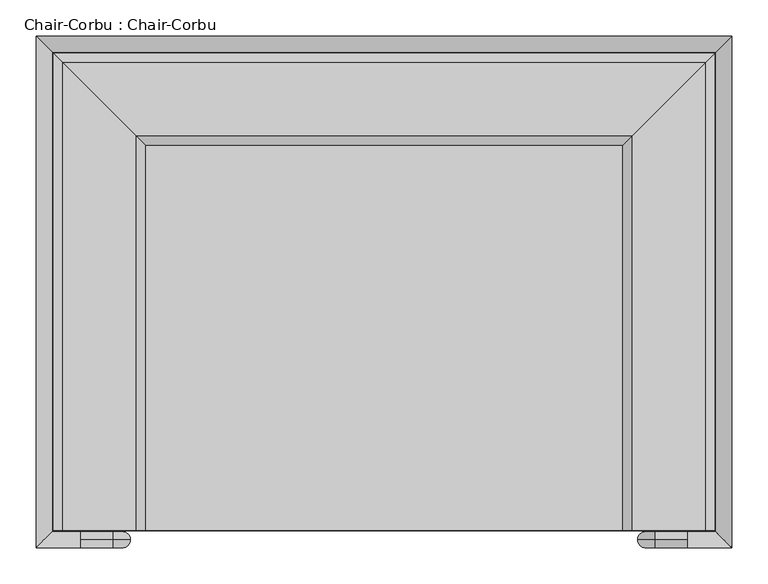
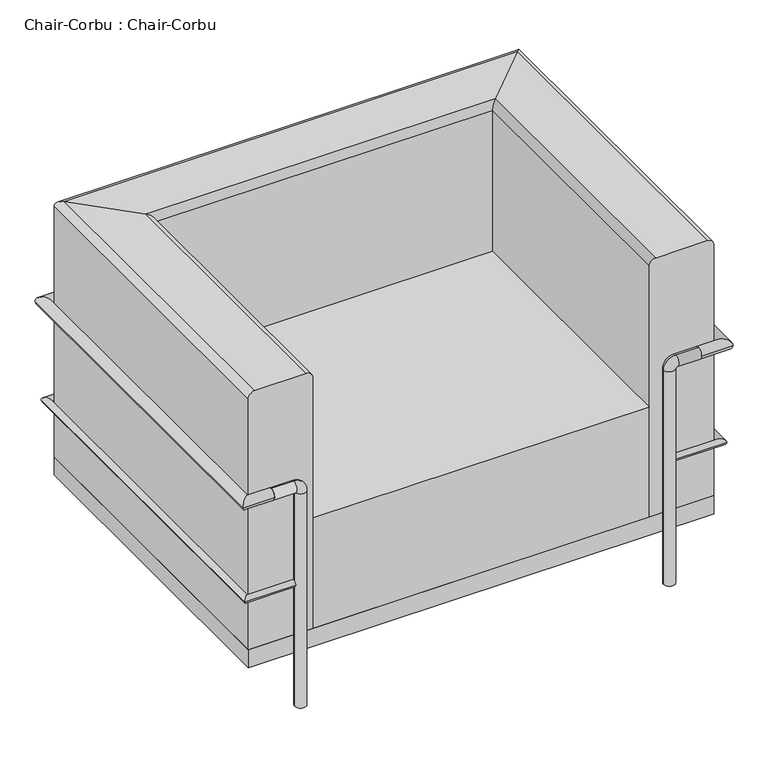
"""IFC4 building model written with IfcOpenShell, lengths in millimetres: furniture geometry, Chair-Corbu : Chair-Corbu."""

from ifc_helpers import new_model, si_unit, point, frame, frame_2d, origin, origin_with_axes, place, context, project, spatial, polyline, circle_curve, ellipse_curve, trimmed, segment, composite_curve, outline, extrude, source, transform, mapped, element, save
from ifc_brep_helpers import plane_surface, cylinder_surface, revolved_surface, advanced_brep


def chair_corbu_chair_corbu_2764bdef(model_context):
    return source(origin(), model_context, "Body", "SolidModel", [
        advanced_brep(
        [(116.1737705, 136.5770492, 139.7), (243.1737705, 136.5770492, 139.7), (243.1737705, 136.5770492, 660.4), (230.4737705, 136.5770492, 673.1), (128.8737705, 136.5770492, 673.1), (116.1737705, 136.5770492, 660.4), (116.1737705, 796.9770492, 139.7), (243.1737705, 669.9770492, 139.7), (243.1737705, 669.9770492, 660.4), (230.4737705, 682.6770492, 673.1), (128.8737705, 784.2770492, 673.1), (116.1737705, 796.9770492, 660.4), (1030.5737705, 796.9770492, 139.7), (903.5737705, 669.9770492, 139.7), (903.5737705, 669.9770492, 660.4), (916.2737705, 682.6770492, 673.1), (1017.8737705, 784.2770492, 673.1), (1030.5737705, 796.9770492, 660.4), (1030.5737705, 136.5770492, 139.7), (1030.5737705, 136.5770492, 660.4), (1017.8737705, 136.5770492, 673.1), (916.2737705, 136.5770492, 673.1), (903.5737705, 136.5770492, 660.4), (903.5737705, 136.5770492, 139.7)],
        [
            (0, 1),
            (1, 2),
            (2, 3, circle_curve(frame((230.4737705, 136.5770492, 660.4), z_axis=(0.0, -1.0, 0.0), x_axis=(-1.0, 0.0, 0.0)), 12.7)),
            (3, 4),
            (4, 5, circle_curve(frame((128.8737705, 136.5770492, 660.4), z_axis=(0.0, -1.0, 0.0), x_axis=(-1.0, 0.0, 0.0)), 12.7)),
            (5, 0),
            (0, 6),
            (6, 7),
            (7, 1),
            (7, 8),
            (8, 2),
            (8, 9, ellipse_curve(frame((230.4737705, 682.6770492, 660.4), z_axis=(-0.7071067811865475, -0.7071067811865475, 0.0), x_axis=(0.7071067811865474, -0.7071067811865476, 0.0)), 17.9605122, 12.7)),
            (9, 3),
            (9, 10),
            (10, 4),
            (10, 11, ellipse_curve(frame((128.8737705, 784.2770492, 660.4), z_axis=(-0.7071067811865475, -0.7071067811865475, 0.0), x_axis=(0.7071067811865474, -0.7071067811865476, 0.0)), 17.9605122, 12.7)),
            (11, 5),
            (11, 6),
            (6, 12),
            (12, 13),
            (13, 7),
            (13, 14),
            (14, 8),
            (14, 15, ellipse_curve(frame((916.2737705, 682.6770492, 660.4), z_axis=(-0.7071067811865475, 0.7071067811865475, 0.0), x_axis=(-0.7071067811865476, -0.7071067811865474, 0.0)), 17.9605122, 12.7)),
            (15, 9),
            (15, 16),
            (16, 10),
            (16, 17, ellipse_curve(frame((1017.8737705, 784.2770492, 660.4), z_axis=(-0.7071067811865475, 0.7071067811865475, 0.0), x_axis=(-0.7071067811865476, -0.7071067811865474, 0.0)), 17.9605122, 12.7)),
            (17, 11),
            (17, 12),
            (18, 19),
            (19, 20, circle_curve(frame((1017.8737705, 136.5770492, 660.4), z_axis=(0.0, -1.0, 0.0), x_axis=(1.0, 0.0, 0.0)), 12.7)),
            (20, 21),
            (21, 22, circle_curve(frame((916.2737705, 136.5770492, 660.4), z_axis=(0.0, -1.0, 0.0), x_axis=(1.0, 0.0, 0.0)), 12.7)),
            (22, 23),
            (23, 18),
            (12, 18),
            (23, 13),
            (22, 14),
            (21, 15),
            (20, 16),
            (19, 17),
        ],
        [
            plane_surface(frame((-566.5619763, 136.5770492, 0.0), z_axis=(0.0, -1.0, 0.0), x_axis=(0.0, 0.0, 1.0))),
            plane_surface(frame((116.1737705, 136.5770492, 139.7), z_axis=(0.0, 0.0, -1.0), x_axis=(0.0, 1.0, 0.0))),
            plane_surface(frame((243.1737705, 136.5770492, 139.7), z_axis=(1.0, 0.0, 0.0), x_axis=(0.0, 1.0, 0.0))),
            cylinder_surface(frame((230.4737705, 136.5770492, 660.4), z_axis=(0.0, -1.0, 0.0), x_axis=(-1.0, 0.0, 0.0)), 12.7),
            plane_surface(frame((230.4737705, 136.5770492, 673.1), z_axis=(0.0, 0.0, 1.0), x_axis=(0.0, 1.0, 0.0))),
            cylinder_surface(frame((128.8737705, 136.5770492, 660.4), z_axis=(0.0, -1.0, 0.0), x_axis=(-1.0, 0.0, 0.0)), 12.7),
            plane_surface(frame((116.1737705, 136.5770492, 660.4), z_axis=(-1.0, 0.0, 0.0), x_axis=(0.0, 1.0, 0.0))),
            plane_surface(frame((116.1737705, 796.9770492, 139.7), z_axis=(0.0, 0.0, -1.0), x_axis=(1.0, 0.0, 0.0))),
            plane_surface(frame((243.1737705, 669.9770492, 139.7), z_axis=(0.0, -1.0, 0.0), x_axis=(1.0, 0.0, 0.0))),
            cylinder_surface(frame((116.1737705, 682.6770492, 660.4), z_axis=(-1.0, 0.0, 0.0), x_axis=(0.0, 1.0, 0.0)), 12.7),
            plane_surface(frame((230.4737705, 682.6770492, 673.1), z_axis=(0.0, 0.0, 1.0), x_axis=(1.0, 0.0, 0.0))),
            cylinder_surface(frame((116.1737705, 784.2770492, 660.4), z_axis=(-1.0, 0.0, 0.0), x_axis=(0.0, 1.0, 0.0)), 12.7),
            plane_surface(frame((116.1737705, 796.9770492, 660.4), z_axis=(0.0, 1.0, 0.0), x_axis=(1.0, 0.0, 0.0))),
            plane_surface(frame((347.8380237, 136.5770492, 0.0), z_axis=(0.0, -1.0, 0.0), x_axis=(0.0, 0.0, -1.0))),
            plane_surface(frame((1030.5737705, 796.9770492, 139.7), z_axis=(0.0, 0.0, -1.0), x_axis=(0.0, -1.0, 0.0))),
            plane_surface(frame((903.5737705, 669.9770492, 139.7), z_axis=(-1.0, 0.0, 0.0), x_axis=(0.0, -1.0, 0.0))),
            cylinder_surface(frame((916.2737705, 796.9770492, 660.4), z_axis=(0.0, 1.0, 0.0), x_axis=(1.0, 0.0, 0.0)), 12.7),
            plane_surface(frame((916.2737705, 682.6770492, 673.1), z_axis=(0.0, 0.0, 1.0), x_axis=(0.0, -1.0, 0.0))),
            cylinder_surface(frame((1017.8737705, 796.9770492, 660.4), z_axis=(0.0, 1.0, 0.0), x_axis=(1.0, 0.0, 0.0)), 12.7),
            plane_surface(frame((1030.5737705, 796.9770492, 660.4), z_axis=(1.0, 0.0, 0.0), x_axis=(0.0, -1.0, 0.0))),
        ],
        [
            (0, [[1, 2, 3, 4, 5, 6]]),
            (1, [[-1, 7, 8, 9]]),
            (2, [[-2, -9, 10, 11]]),
            (3, [[-3, -11, 12, 13]]),
            (4, [[-4, -13, 14, 15]]),
            (5, [[-5, -15, 16, 17]]),
            (6, [[-6, -17, 18, -7]]),
            (7, [[-8, 19, 20, 21]]),
            (8, [[-10, -21, 22, 23]]),
            (9, [[-12, -23, 24, 25]]),
            (10, [[-14, -25, 26, 27]]),
            (11, [[-16, -27, 28, 29]]),
            (12, [[-18, -29, 30, -19]]),
            (13, [[31, 32, 33, 34, 35, 36]]),
            (14, [[-20, 37, -36, 38]]),
            (15, [[-22, -38, -35, 39]]),
            (16, [[-24, -39, -34, 40]]),
            (17, [[-26, -40, -33, 41]]),
            (18, [[-28, -41, -32, 42]]),
            (19, [[-30, -42, -31, -37]]),
        ],
    ),
        advanced_brep(
        [(946.4362705, 123.8770492, 0.0), (924.2112705, 123.8770492, 0.0), (946.4362705, 123.8770492, 444.5), (924.2112705, 123.8770492, 444.5), (948.0237705, 123.8770492, 468.3125), (948.0237705, 123.8770492, 446.0875), (992.4737705, 123.8770492, 446.0875), (992.4737705, 123.8770492, 468.3125)],
        [
            (0, 1, circle_curve(frame((935.3237705, 123.8770492, 0.0), z_axis=(0.0, 0.0, -1.0), x_axis=(-1.0, 0.0, 0.0)), 11.1125)),
            (1, 0, circle_curve(frame((935.3237705, 123.8770492, 0.0), z_axis=(0.0, 0.0, -1.0), x_axis=(-1.0, 0.0, 0.0)), 11.1125)),
            (0, 2),
            (2, 3, circle_curve(frame((935.3237705, 123.8770492, 444.5), z_axis=(0.0, 0.0, -1.0), x_axis=(-1.0, 0.0, 0.0)), 11.1125)),
            (3, 1),
            (3, 2, circle_curve(frame((935.3237705, 123.8770492, 444.5), z_axis=(0.0, 0.0, -1.0), x_axis=(-1.0, 0.0, 0.0)), 11.1125)),
            (4, 3, circle_curve(frame((948.0237705, 123.8770492, 444.5), z_axis=(0.0, -1.0, 0.0), x_axis=(-1.0, 0.0, 0.0)), 23.8125)),
            (2, 5, circle_curve(frame((948.0237705, 123.8770492, 444.5), z_axis=(0.0, 1.0, 0.0), x_axis=(-1.0, 0.0, 0.0)), 1.5875)),
            (5, 4, circle_curve(frame((948.0237705, 123.8770492, 457.2), z_axis=(-1.0, 0.0, 0.0), x_axis=(0.0, 0.0, 1.0)), 11.1125)),
            (4, 5, circle_curve(frame((948.0237705, 123.8770492, 457.2), z_axis=(-1.0, 0.0, 0.0), x_axis=(0.0, 0.0, 1.0)), 11.1125)),
            (6, 7, circle_curve(frame((992.4737705, 123.8770492, 457.2), z_axis=(1.0, 0.0, 0.0), x_axis=(0.0, 0.0, 1.0)), 11.1125)),
            (7, 6, circle_curve(frame((992.4737705, 123.8770492, 457.2), z_axis=(1.0, 0.0, 0.0), x_axis=(0.0, 0.0, 1.0)), 11.1125)),
            (5, 6),
            (7, 4),
        ],
        [
            plane_surface(frame((935.3237705, 112.7645492, 0.0), z_axis=(0.0, 0.0, -1.0), x_axis=(1.0, 0.0, 0.0))),
            cylinder_surface(frame((935.3237705, 123.8770492, 0.0), z_axis=(0.0, 0.0, -1.0), x_axis=(-1.0, 0.0, 0.0)), 11.1125),
            revolved_surface(trimmed(ellipse_curve(frame((935.3237705, 123.8770492, 444.5), z_axis=(0.0, 0.0, -1.0), x_axis=(-1.0, 0.0, 0.0)), 11.1125, 11.1125), [point((946.4362705, 123.8770492, 444.5))], [point((924.2112705, 123.8770492, 444.5))], True, "CARTESIAN"), (948.0237705, 123.8770492, 444.5), (0.0, 1.0, 0.0)),
            revolved_surface(trimmed(ellipse_curve(frame((935.3237705, 123.8770492, 444.5), z_axis=(0.0, 0.0, -1.0), x_axis=(-1.0, 0.0, 0.0)), 11.1125, 11.1125), [point((924.2112705, 123.8770492, 444.5))], [point((946.4362705, 123.8770492, 444.5))], True, "CARTESIAN"), (948.0237705, 123.8770492, 444.5), (0.0, 1.0, 0.0)),
            plane_surface(frame((992.4737705, 123.8770492, 446.0875), z_axis=(1.0, 0.0, 0.0), x_axis=(0.0, 1.0, 0.0))),
            cylinder_surface(frame((948.0237705, 123.8770492, 457.2), z_axis=(-1.0, 0.0, 0.0), x_axis=(0.0, 0.0, 1.0)), 11.1125),
        ],
        [
            (0, [[1, 2]]),
            (1, [[-1, 3, 4, 5]]),
            (1, [[-2, -5, 6, -3]]),
            (2, [[7, -4, 8, 9]]),
            (3, [[-8, -6, -7, 10]]),
            (4, [[11, 12]]),
            (5, [[-9, 13, -12, 14]]),
            (5, [[-10, -14, -11, -13]]),
        ],
    ),
        advanced_brep(
        [(222.5362705, 123.8770492, 0.0), (200.3112705, 123.8770492, 0.0), (222.5362705, 123.8770492, 444.5), (200.3112705, 123.8770492, 444.5), (198.7237705, 123.8770492, 446.0875), (198.7237705, 123.8770492, 468.3125), (154.2737705, 123.8770492, 468.3125), (154.2737705, 123.8770492, 446.0875)],
        [
            (0, 1, circle_curve(frame((211.4237705, 123.8770492, 0.0), z_axis=(0.0, 0.0, -1.0), x_axis=(-1.0, 0.0, 0.0)), 11.1125)),
            (1, 0, circle_curve(frame((211.4237705, 123.8770492, 0.0), z_axis=(0.0, 0.0, -1.0), x_axis=(-1.0, 0.0, 0.0)), 11.1125)),
            (0, 2),
            (2, 3, circle_curve(frame((211.4237705, 123.8770492, 444.5), z_axis=(0.0, 0.0, -1.0), x_axis=(-1.0, 0.0, 0.0)), 11.1125)),
            (3, 1),
            (3, 2, circle_curve(frame((211.4237705, 123.8770492, 444.5), z_axis=(0.0, 0.0, -1.0), x_axis=(-1.0, 0.0, 0.0)), 11.1125)),
            (4, 3, circle_curve(frame((198.7237705, 123.8770492, 444.5), z_axis=(0.0, 1.0, 0.0), x_axis=(1.0, 0.0, 0.0)), 1.5875)),
            (2, 5, circle_curve(frame((198.7237705, 123.8770492, 444.5), z_axis=(0.0, -1.0, 0.0), x_axis=(1.0, 0.0, 0.0)), 23.8125)),
            (5, 4, circle_curve(frame((198.7237705, 123.8770492, 457.2), z_axis=(1.0, 0.0, 0.0), x_axis=(0.0, 0.0, -1.0)), 11.1125)),
            (4, 5, circle_curve(frame((198.7237705, 123.8770492, 457.2), z_axis=(1.0, 0.0, 0.0), x_axis=(0.0, 0.0, -1.0)), 11.1125)),
            (6, 7, circle_curve(frame((154.2737705, 123.8770492, 457.2), z_axis=(-1.0, 0.0, 0.0), x_axis=(0.0, 0.0, -1.0)), 11.1125)),
            (7, 6, circle_curve(frame((154.2737705, 123.8770492, 457.2), z_axis=(-1.0, 0.0, 0.0), x_axis=(0.0, 0.0, -1.0)), 11.1125)),
            (5, 6),
            (7, 4),
        ],
        [
            plane_surface(frame((211.4237705, 112.7645492, 0.0), z_axis=(0.0, 0.0, -1.0), x_axis=(1.0, 0.0, 0.0))),
            cylinder_surface(frame((211.4237705, 123.8770492, 0.0), z_axis=(0.0, 0.0, -1.0), x_axis=(-1.0, 0.0, 0.0)), 11.1125),
            revolved_surface(trimmed(ellipse_curve(frame((211.4237705, 123.8770492, 444.5), z_axis=(0.0, 0.0, -1.0), x_axis=(-1.0, 0.0, 0.0)), 11.1125, 11.1125), [point((222.5362705, 123.8770492, 444.5))], [point((200.3112705, 123.8770492, 444.5))], True, "CARTESIAN"), (198.7237705, 123.8770492, 444.5), (0.0, -1.0, 0.0)),
            revolved_surface(trimmed(ellipse_curve(frame((211.4237705, 123.8770492, 444.5), z_axis=(0.0, 0.0, -1.0), x_axis=(-1.0, 0.0, 0.0)), 11.1125, 11.1125), [point((200.3112705, 123.8770492, 444.5))], [point((222.5362705, 123.8770492, 444.5))], True, "CARTESIAN"), (198.7237705, 123.8770492, 444.5), (0.0, -1.0, 0.0)),
            plane_surface(frame((154.2737705, 123.8770492, 446.0875), z_axis=(-1.0, 0.0, 0.0), x_axis=(0.0, -1.0, 0.0))),
            cylinder_surface(frame((198.7237705, 123.8770492, 457.2), z_axis=(1.0, 0.0, 0.0), x_axis=(0.0, 0.0, -1.0)), 11.1125),
        ],
        [
            (0, [[1, 2]]),
            (1, [[-1, 3, 4, 5]]),
            (1, [[-2, -5, 6, -3]]),
            (2, [[7, -4, 8, 9]]),
            (3, [[-8, -6, -7, 10]]),
            (4, [[11, 12]]),
            (5, [[-9, 13, -12, 14]]),
            (5, [[-10, -14, -11, -13]]),
        ],
    ),
        advanced_brep(
        [(201.8987705, 133.4020492, 254.0), (201.8987705, 120.7020492, 254.0), (112.9987705, 133.4020492, 254.0), (100.2987705, 120.7020492, 254.0), (112.9987705, 800.1520492, 254.0), (100.2987705, 812.8520492, 254.0), (1033.7487705, 800.1520492, 254.0), (1046.4487705, 812.8520492, 254.0), (1033.7487705, 133.4020492, 254.0), (1046.4487705, 120.7020492, 254.0), (944.8487705, 133.4020492, 254.0), (944.8487705, 120.7020492, 254.0)],
        [
            (0, 1, circle_curve(frame((201.8987705, 127.0520492, 254.0), z_axis=(1.0, 0.0, 0.0), x_axis=(0.0, -1.0, 0.0)), 6.35)),
            (1, 0, circle_curve(frame((201.8987705, 127.0520492, 254.0), z_axis=(1.0, 0.0, 0.0), x_axis=(0.0, -1.0, 0.0)), 6.35)),
            (0, 2),
            (2, 3, ellipse_curve(frame((106.6487705, 127.0520492, 254.0), z_axis=(0.7071067811865475, -0.7071067811865475, 0.0), x_axis=(0.7071067811865476, 0.7071067811865474, 0.0)), 8.9802561, 6.35)),
            (3, 1),
            (3, 2, ellipse_curve(frame((106.6487705, 127.0520492, 254.0), z_axis=(0.7071067811865475, -0.7071067811865475, 0.0), x_axis=(0.7071067811865476, 0.7071067811865474, 0.0)), 8.9802561, 6.35)),
            (2, 4),
            (4, 5, ellipse_curve(frame((106.6487705, 806.5020492, 254.0), z_axis=(-0.7071067811865475, -0.7071067811865475, 0.0), x_axis=(0.7071067811865474, -0.7071067811865476, 0.0)), 8.9802561, 6.35)),
            (5, 3),
            (5, 4, ellipse_curve(frame((106.6487705, 806.5020492, 254.0), z_axis=(-0.7071067811865475, -0.7071067811865475, 0.0), x_axis=(0.7071067811865474, -0.7071067811865476, 0.0)), 8.9802561, 6.35)),
            (4, 6),
            (6, 7, ellipse_curve(frame((1040.0987705, 806.5020492, 254.0), z_axis=(-0.7071067811865475, 0.7071067811865475, 0.0), x_axis=(-0.7071067811865476, -0.7071067811865474, 0.0)), 8.9802561, 6.35)),
            (7, 5),
            (7, 6, ellipse_curve(frame((1040.0987705, 806.5020492, 254.0), z_axis=(-0.7071067811865475, 0.7071067811865475, 0.0), x_axis=(-0.7071067811865476, -0.7071067811865474, 0.0)), 8.9802561, 6.35)),
            (6, 8),
            (8, 9, ellipse_curve(frame((1040.0987705, 127.0520492, 254.0), z_axis=(0.7071067811865475, 0.7071067811865475, 0.0), x_axis=(-0.7071067811865474, 0.7071067811865476, 0.0)), 8.9802561, 6.35)),
            (9, 7),
            (9, 8, ellipse_curve(frame((1040.0987705, 127.0520492, 254.0), z_axis=(0.7071067811865475, 0.7071067811865475, 0.0), x_axis=(-0.7071067811865474, 0.7071067811865476, 0.0)), 8.9802561, 6.35)),
            (10, 11, circle_curve(frame((944.8487705, 127.0520492, 254.0), z_axis=(-1.0, 0.0, 0.0), x_axis=(0.0, -1.0, 0.0)), 6.35)),
            (11, 10, circle_curve(frame((944.8487705, 127.0520492, 254.0), z_axis=(-1.0, 0.0, 0.0), x_axis=(0.0, -1.0, 0.0)), 6.35)),
            (8, 10),
            (11, 9),
        ],
        [
            plane_surface(frame((201.8987705, 127.0520492, -259.5186838), z_axis=(1.0, 0.0, 0.0), x_axis=(0.0, -1.0, 0.0))),
            cylinder_surface(frame((201.8987705, 127.0520492, 254.0), z_axis=(1.0, 0.0, 0.0), x_axis=(0.0, -1.0, 0.0)), 6.35),
            cylinder_surface(frame((106.6487705, 127.0520492, 254.0), z_axis=(0.0, -1.0, 0.0), x_axis=(-1.0, 0.0, 0.0)), 6.35),
            cylinder_surface(frame((106.6487705, 806.5020492, 254.0), z_axis=(-1.0, 0.0, 0.0), x_axis=(0.0, 1.0, 0.0)), 6.35),
            cylinder_surface(frame((1040.0987705, 806.5020492, 254.0), z_axis=(0.0, 1.0, 0.0), x_axis=(1.0, 0.0, 0.0)), 6.35),
            plane_surface(frame((944.8487705, 127.0520492, -259.5186838), z_axis=(-1.0, 0.0, 0.0), x_axis=(0.0, -1.0, 0.0))),
            cylinder_surface(frame((1040.0987705, 127.0520492, 254.0), z_axis=(1.0, 0.0, 0.0), x_axis=(0.0, -1.0, 0.0)), 6.35),
        ],
        [
            (0, [[1, 2]]),
            (1, [[-1, 3, 4, 5]]),
            (1, [[-2, -5, 6, -3]]),
            (2, [[-4, 7, 8, 9]]),
            (2, [[-6, -9, 10, -7]]),
            (3, [[-8, 11, 12, 13]]),
            (3, [[-10, -13, 14, -11]]),
            (4, [[-12, 15, 16, 17]]),
            (4, [[-14, -17, 18, -15]]),
            (5, [[19, 20]]),
            (6, [[-16, 21, -20, 22]]),
            (6, [[-18, -22, -19, -21]]),
        ],
    ),
        advanced_brep(
        [(154.2737705, 134.9895492, 457.2), (154.2737705, 112.7645492, 457.2), (114.5862705, 134.9895492, 457.2), (92.3612705, 112.7645492, 457.2), (114.5862705, 798.5645492, 457.2), (92.3612705, 820.7895492, 457.2), (1032.1612705, 798.5645492, 457.2), (1054.3862705, 820.7895492, 457.2), (1032.1612705, 134.9895492, 457.2), (1054.3862705, 112.7645492, 457.2), (992.4737705, 134.9895492, 457.2), (992.4737705, 112.7645492, 457.2)],
        [
            (0, 1, circle_curve(frame((154.2737705, 123.8770492, 457.2), z_axis=(1.0, 0.0, 0.0), x_axis=(0.0, -1.0, 0.0)), 11.1125)),
            (1, 0, circle_curve(frame((154.2737705, 123.8770492, 457.2), z_axis=(1.0, 0.0, 0.0), x_axis=(0.0, -1.0, 0.0)), 11.1125)),
            (0, 2),
            (2, 3, ellipse_curve(frame((103.4737705, 123.8770492, 457.2), z_axis=(0.7071067811865475, -0.7071067811865475, 0.0), x_axis=(0.7071067811865476, 0.7071067811865474, 0.0)), 15.7154482, 11.1125)),
            (3, 1),
            (3, 2, ellipse_curve(frame((103.4737705, 123.8770492, 457.2), z_axis=(0.7071067811865475, -0.7071067811865475, 0.0), x_axis=(0.7071067811865476, 0.7071067811865474, 0.0)), 15.7154482, 11.1125)),
            (2, 4),
            (4, 5, ellipse_curve(frame((103.4737705, 809.6770492, 457.2), z_axis=(-0.7071067811865475, -0.7071067811865475, 0.0), x_axis=(0.7071067811865474, -0.7071067811865476, 0.0)), 15.7154482, 11.1125)),
            (5, 3),
            (5, 4, ellipse_curve(frame((103.4737705, 809.6770492, 457.2), z_axis=(-0.7071067811865475, -0.7071067811865475, 0.0), x_axis=(0.7071067811865474, -0.7071067811865476, 0.0)), 15.7154482, 11.1125)),
            (4, 6),
            (6, 7, ellipse_curve(frame((1043.2737705, 809.6770492, 457.2), z_axis=(-0.7071067811865475, 0.7071067811865475, 0.0), x_axis=(-0.7071067811865476, -0.7071067811865474, 0.0)), 15.7154482, 11.1125)),
            (7, 5),
            (7, 6, ellipse_curve(frame((1043.2737705, 809.6770492, 457.2), z_axis=(-0.7071067811865475, 0.7071067811865475, 0.0), x_axis=(-0.7071067811865476, -0.7071067811865474, 0.0)), 15.7154482, 11.1125)),
            (6, 8),
            (8, 9, ellipse_curve(frame((1043.2737705, 123.8770492, 457.2), z_axis=(0.7071067811865475, 0.7071067811865475, 0.0), x_axis=(-0.7071067811865474, 0.7071067811865476, 0.0)), 15.7154482, 11.1125)),
            (9, 7),
            (9, 8, ellipse_curve(frame((1043.2737705, 123.8770492, 457.2), z_axis=(0.7071067811865475, 0.7071067811865475, 0.0), x_axis=(-0.7071067811865474, 0.7071067811865476, 0.0)), 15.7154482, 11.1125)),
            (10, 11, circle_curve(frame((992.4737705, 123.8770492, 457.2), z_axis=(-1.0, 0.0, 0.0), x_axis=(0.0, -1.0, 0.0)), 11.1125)),
            (11, 10, circle_curve(frame((992.4737705, 123.8770492, 457.2), z_axis=(-1.0, 0.0, 0.0), x_axis=(0.0, -1.0, 0.0)), 11.1125)),
            (8, 10),
            (11, 9),
        ],
        [
            plane_surface(frame((154.2737705, 123.8770492, -466.8567721), z_axis=(1.0, 0.0, 0.0), x_axis=(0.0, -1.0, 0.0))),
            cylinder_surface(frame((154.2737705, 123.8770492, 457.2), z_axis=(1.0, 0.0, 0.0), x_axis=(0.0, -1.0, 0.0)), 11.1125),
            cylinder_surface(frame((103.4737705, 123.8770492, 457.2), z_axis=(0.0, -1.0, 0.0), x_axis=(-1.0, 0.0, 0.0)), 11.1125),
            cylinder_surface(frame((103.4737705, 809.6770492, 457.2), z_axis=(-1.0, 0.0, 0.0), x_axis=(0.0, 1.0, 0.0)), 11.1125),
            cylinder_surface(frame((1043.2737705, 809.6770492, 457.2), z_axis=(0.0, 1.0, 0.0), x_axis=(1.0, 0.0, 0.0)), 11.1125),
            plane_surface(frame((992.4737705, 123.8770492, -466.8567721), z_axis=(-1.0, 0.0, 0.0), x_axis=(0.0, -1.0, 0.0))),
            cylinder_surface(frame((1043.2737705, 123.8770492, 457.2), z_axis=(1.0, 0.0, 0.0), x_axis=(0.0, -1.0, 0.0)), 11.1125),
        ],
        [
            (0, [[1, 2]]),
            (1, [[-1, 3, 4, 5]]),
            (1, [[-2, -5, 6, -3]]),
            (2, [[-4, 7, 8, 9]]),
            (2, [[-6, -9, 10, -7]]),
            (3, [[-8, 11, 12, 13]]),
            (3, [[-10, -13, 14, -11]]),
            (4, [[-12, 15, 16, 17]]),
            (4, [[-14, -17, 18, -15]]),
            (5, [[19, 20]]),
            (6, [[-16, 21, -20, 22]]),
            (6, [[-18, -22, -19, -21]]),
        ],
    ),
        extrude(outline(polyline([(903.5737705, 669.9770492), (903.5737705, 136.5770492), (243.1737705, 136.5770492), (243.1737705, 669.9770492), (903.5737705, 669.9770492)])), frame((0.0, 0.0, 139.7), z_axis=(0.0, 0.0, 1.0), x_axis=(1.0, 0.0, 0.0)), (0.0, 0.0, 1.0), 228.6),
        extrude(outline(polyline([(1030.5737705, 796.9770492), (1030.5737705, 136.5770492), (116.1737705, 136.5770492), (116.1737705, 796.9770492), (1030.5737705, 796.9770492)])), frame((0.0, 0.0, 101.6), z_axis=(0.0, 0.0, 1.0), x_axis=(1.0, 0.0, 0.0)), (0.0, 0.0, 1.0), 38.1),
        extrude(outline(composite_curve([segment(trimmed(circle_curve(frame_2d((211.4237705, 809.6770492)), 11.1125), [point((200.3112705, 809.6770492))], [point((222.5362705, 809.6770492))], False, "CARTESIAN"), True, "CONTINUOUS"), segment(trimmed(circle_curve(frame_2d((211.4237705, 809.6770492)), 11.1125), [point((222.5362705, 809.6770492))], [point((200.3112705, 809.6770492))], False, "CARTESIAN"), True, "CONTINUOUS")], self_intersect=False)), origin_with_axes(), (0.0, 0.0, 1.0), 457.2),
        extrude(outline(composite_curve([segment(trimmed(circle_curve(frame_2d((935.3237705, 809.6770492)), 11.1125), [point((946.4362705, 809.6770492))], [point((924.2112705, 809.6770492))], False, "CARTESIAN"), True, "CONTINUOUS"), segment(trimmed(circle_curve(frame_2d((935.3237705, 809.6770492)), 11.1125), [point((924.2112705, 809.6770492))], [point((946.4362705, 809.6770492))], False, "CARTESIAN"), True, "CONTINUOUS")], self_intersect=False)), origin_with_axes(), (0.0, 0.0, 1.0), 457.2),
    ])


if __name__ == "__main__":
    model = new_model("IFC4")
    model_context = context("Model", 3, world=origin())
    ifc_project = project(units=[si_unit("LENGTHUNIT", "METRE", prefix="MILLI")], contexts=[model_context])
    site = spatial("IfcSite", under=ifc_project)
    building = spatial("IfcBuilding", under=site)
    placement = place(None, origin())
    chair_corbu_chair_corbu_shape = chair_corbu_chair_corbu_2764bdef(model_context)
    element("IfcFurniture", 1, ObjectType="Chair-Corbu : Chair-Corbu", at=placement, inside=building, context=model_context, shape_type="MappedRepresentation", body=[
        mapped(chair_corbu_chair_corbu_shape, transform((0.0, 0.0, 0.0), x_axis=(1.0, 0.0, 0.0), y_axis=(0.0, 1.0, 0.0), z_axis=(0.0, 0.0, 1.0))),
    ])
    save(model, "model.ifc")
